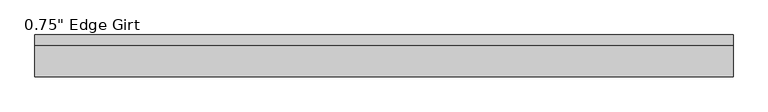
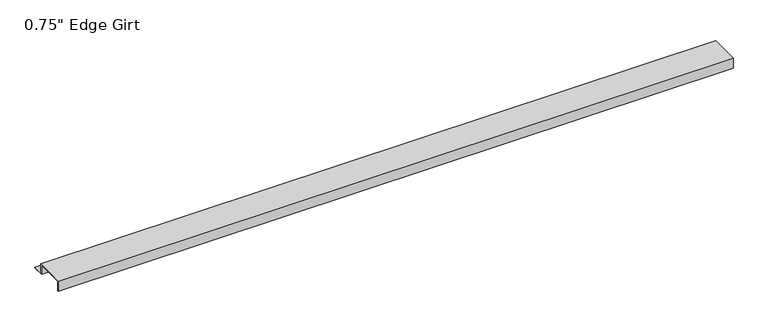
"""IFC4 building model written with IfcOpenShell, lengths in millimetres: proxy geometry."""

import ifcopenshell
import ifcopenshell.guid

model = None  # the IFC model being written
_history = None  # IfcOwnerHistory: only IFC2X3 demands one
_inside = {}  # id of a spatial element -> (the spatial element, [elements in it])
_under = {}  # id of a project, library or spatial element -> (it, [spatial elements below it])
_declared = {}  # id of a project -> (the project, [libraries it declares])
_typed = {}  # id of a type object -> (the type object, [elements of that type])
_made_of = {}  # id of a material, layer set ... -> (it, [elements and type objects made of it])


def new_model(schema):
    """Start an empty IFC model of exactly this schema.

    Asked for "IFC4X3", IfcOpenShell would pick the latest addendum, in which some entities
    have other attributes; the version numbers below select the first issue.
    IFC2X3 requires an IfcOwnerHistory on every rooted entity: one is made here for all.
    """
    global model, _history
    if schema == "IFC4X3":
        model = ifcopenshell.file(schema_version=(4, 3, 0, 0))
    else:
        model = ifcopenshell.file(schema=schema)
    _inside.clear()
    _under.clear()
    _declared.clear()
    _typed.clear()
    _made_of.clear()
    _history = None
    if model.schema == "IFC2X3":
        org = make("IfcOrganization", Name="unknown")
        user = make(
            "IfcPersonAndOrganization",
            ThePerson=make("IfcPerson", FamilyName="unknown"),
            TheOrganization=org,
        )
        app = make(
            "IfcApplication",
            ApplicationDeveloper=org,
            Version="unknown",
            ApplicationFullName="unknown",
            ApplicationIdentifier="unknown",
        )
        _history = make(
            "IfcOwnerHistory",
            OwningUser=user,
            OwningApplication=app,
            ChangeAction="ADDED",
            CreationDate=0,
        )
    return model


def make(cls, **values):
    """One entity of the class cls with the attributes given. An attribute that is None is left unset."""
    return model.create_entity(
        cls, **{name: value for name, value in values.items() if value is not None}
    )


def rooted(cls, **values):
    """An entity with a GlobalId (a new one), such as an element, a storey or a relation."""
    return make(cls, GlobalId=ifcopenshell.guid.new(), OwnerHistory=_history, **values)


def si_unit(unit_type, name, prefix=None):
    """IfcSIUnit, for example si_unit("LENGTHUNIT", "METRE", prefix="MILLI")."""
    return make("IfcSIUnit", UnitType=unit_type, Prefix=prefix, Name=name)


def assignment(units):
    """IfcUnitAssignment: the units of a project."""
    return None if units is None else make("IfcUnitAssignment", Units=units)


def point(xyz):
    """IfcCartesianPoint."""
    return None if xyz is None else make("IfcCartesianPoint", Coordinates=xyz)


def direction(xyz):
    """IfcDirection."""
    return None if xyz is None else make("IfcDirection", DirectionRatios=xyz)


def frame(location, z_axis=None, x_axis=None):
    """IfcAxis2Placement3D, a coordinate frame: its origin and axes. An axis left out is left unset."""
    return make(
        "IfcAxis2Placement3D",
        Location=point(location),
        Axis=direction(z_axis),
        RefDirection=direction(x_axis),
    )


def origin():
    """The frame at (0, 0, 0) with its axes left unset."""
    return frame((0.0, 0.0, 0.0))


def place(relative_to, where):
    """IfcLocalPlacement: puts the frame where relative to a parent placement (None: the world)."""
    return make(
        "IfcLocalPlacement", PlacementRelTo=relative_to, RelativePlacement=where
    )


def context(
    kind, dimensions, precision=None, world=None, true_north=None, identifier=None
):
    """IfcGeometricRepresentationContext, for example the 3D "Model" context."""
    return make(
        "IfcGeometricRepresentationContext",
        ContextIdentifier=identifier,
        ContextType=kind,
        CoordinateSpaceDimension=dimensions,
        Precision=precision,
        WorldCoordinateSystem=world,
        TrueNorth=true_north,
    )


def project(units=None, contexts=None):
    """IfcProject with its units and contexts."""
    return rooted(
        "IfcProject",
        Name="project",
        RepresentationContexts=contexts,
        UnitsInContext=assignment(units),
    )


def spatial(cls, under=None, at=None, **own):
    """A site, building, storey or space (cls), placed at a placement, below another one or the project."""
    s = rooted(cls, ObjectPlacement=at, **own)
    if under is not None:
        _under.setdefault(under.id(), (under, []))[1].append(s)
    return s


def polyline(points):
    """IfcPolyline through the points."""
    return make("IfcPolyline", Points=[point(p) for p in points])


def outline(outer, holes=None, kind="AREA"):
    """IfcArbitraryClosedProfileDef: a profile drawn as a closed curve; with holes, ...WithVoids."""
    if holes is None:
        return make("IfcArbitraryClosedProfileDef", ProfileType=kind, OuterCurve=outer)
    return make(
        "IfcArbitraryProfileDefWithVoids",
        ProfileType=kind,
        OuterCurve=outer,
        InnerCurves=holes,
    )


def extrude(swept, where, along, depth):
    """IfcExtrudedAreaSolid: the profile swept, set in the frame where, extruded along a direction by depth."""
    return make(
        "IfcExtrudedAreaSolid",
        SweptArea=swept,
        Position=where,
        ExtrudedDirection=direction(along),
        Depth=depth,
    )


def shape(context_of_items, identifier, shape_type, items):
    """IfcShapeRepresentation: the items that make up one representation, for example the "Body"."""
    return make(
        "IfcShapeRepresentation",
        ContextOfItems=context_of_items,
        RepresentationIdentifier=identifier,
        RepresentationType=shape_type,
        Items=items,
    )


def source(mapping_origin, context_of_items, identifier, shape_type, items):
    """IfcRepresentationMap: a shape defined once, which mapped items show again and again."""
    return make(
        "IfcRepresentationMap",
        MappingOrigin=mapping_origin,
        MappedRepresentation=shape(context_of_items, identifier, shape_type, items),
    )


def transform(
    local_origin,
    x_axis=None,
    y_axis=None,
    z_axis=None,
    scale=None,
    scale2=None,
    scale3=None,
    uniform=True,
):
    """IfcCartesianTransformationOperator3D, or its non-uniform kind. x_axis, y_axis, z_axis: its Axis1, 2, 3."""
    if uniform:
        return make(
            "IfcCartesianTransformationOperator3D",
            Axis1=direction(x_axis),
            Axis2=direction(y_axis),
            LocalOrigin=point(local_origin),
            Scale=scale,
            Axis3=direction(z_axis),
        )
    return make(
        "IfcCartesianTransformationOperator3DnonUniform",
        Axis1=direction(x_axis),
        Axis2=direction(y_axis),
        LocalOrigin=point(local_origin),
        Scale=scale,
        Axis3=direction(z_axis),
        Scale2=scale2,
        Scale3=scale3,
    )


def mapped(mapping_source, mapping_target):
    """IfcMappedItem: shows the shape of a source again, moved by a transform."""
    return make(
        "IfcMappedItem", MappingSource=mapping_source, MappingTarget=mapping_target
    )


def made_of(thing, what):
    """Note that an element or type object is made of a material, layer set ...; save() writes the relation."""
    if what is not None:
        _made_of.setdefault(what.id(), (what, []))[1].append(thing)
    return thing


def element(
    cls,
    number,
    at=None,
    inside=None,
    cuts=None,
    type_object=None,
    material=None,
    context=None,
    identifier="Body",
    shape_type=None,
    held_by="IfcProductDefinitionShape",
    body=None,
    shapes=None,
    **own,
):
    """One element of the class cls, such as IfcWall. Its Tag is "e" and its number.

    at: its placement. inside: the storey or other place that contains it. cuts: it is an
    opening in that element (IfcRelVoidsElement). A single representation is given by context,
    identifier, shape_type and body (its items); several are given by shapes. held_by: the class
    of the entity that holds the representations. save() writes the other relations.
    """
    e = rooted(cls, Tag="e%d" % number, ObjectPlacement=at, **own)
    if body is not None:
        shapes = [shape(context, identifier, shape_type, body)]
    if shapes is not None:
        e.Representation = make(held_by, Representations=shapes)
    if inside is not None:
        _inside.setdefault(inside.id(), (inside, []))[1].append(e)
    if cuts is not None:
        rooted(
            "IfcRelVoidsElement", RelatingBuildingElement=cuts, RelatedOpeningElement=e
        )
    if type_object is not None:
        _typed.setdefault(type_object.id(), (type_object, []))[1].append(e)
    return made_of(e, material)


def aggregate(whole, parts):
    """IfcRelAggregates: a whole, such as a stair, and the parts it consists of."""
    return rooted("IfcRelAggregates", RelatingObject=whole, RelatedObjects=parts)


def save(model, path):
    """Write the relations noted so far, then the file.

    IfcRelAggregates (storeys below a building ...), IfcRelContainedInSpatialStructure (elements
    in a storey), IfcRelDefinesByType, IfcRelAssociatesMaterial and IfcRelDeclares: one each for
    every whole, place, type object, material and project.
    """
    for whole, parts in _under.values():
        aggregate(whole, parts)
    for where, things in _inside.values():
        rooted(
            "IfcRelContainedInSpatialStructure",
            RelatedElements=things,
            RelatingStructure=where,
        )
    for kind, things in _typed.values():
        rooted("IfcRelDefinesByType", RelatedObjects=things, RelatingType=kind)
    for what, things in _made_of.values():
        rooted("IfcRelAssociatesMaterial", RelatedObjects=things, RelatingMaterial=what)
    for by, libraries in _declared.values():
        rooted("IfcRelDeclares", RelatingContext=by, RelatedDefinitions=libraries)
    model.write(path)


def proxy_d66abb9a(model_context):
    return source(origin(), model_context, "Body", "SweptSolid", [
        extrude(outline(polyline([(46.0559645, -17.4375), (25.4, -17.4375), (25.4, 0.0), (-25.4, 0.0), (-25.4, -17.4375), (-27.0129, -17.4375), (-27.0129, 1.6129), (27.0129, 1.6129), (27.0129, -15.8242), (46.0559645, -15.8242), (46.0559645, -17.4375)])), frame((0.0, 0.0, 0.0), z_axis=(1.0, 0.0, 0.0), x_axis=(0.0, 1.0, 0.0)), (0.0, 0.0, 1.0), 1219.2),
    ])


if __name__ == "__main__":
    model = new_model("IFC4")
    model_context = context("Model", 3, world=origin())
    ifc_project = project(units=[si_unit("LENGTHUNIT", "METRE", prefix="MILLI")], contexts=[model_context])
    site = spatial("IfcSite", under=ifc_project)
    building = spatial("IfcBuilding", under=site)
    placement = place(None, origin())
    proxy_shape = proxy_d66abb9a(model_context)
    element("IfcBuildingElementProxy", 1, Name="0.75\" Edge Girt", ObjectType="0.75\" Edge Girt", at=placement, inside=building, context=model_context, shape_type="MappedRepresentation", body=[
        mapped(proxy_shape, transform((0.0, 0.0, 0.0), x_axis=(1.0, 0.0, 0.0), y_axis=(0.0, 1.0, 0.0), z_axis=(0.0, 0.0, 1.0))),
    ])
    save(model, "model.ifc")
